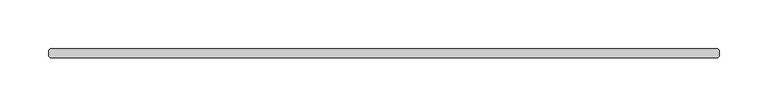
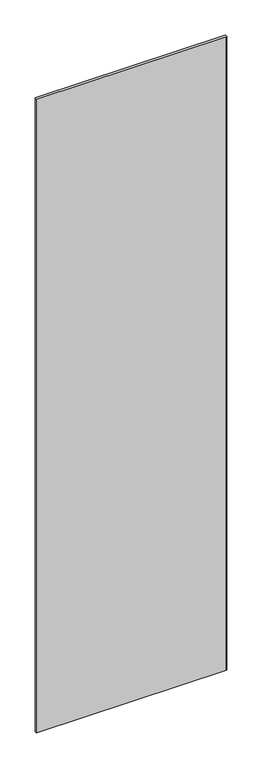
"""IFC4 building model written with IfcOpenShell, lengths in millimetres: plate geometry."""

from ifc_helpers import new_model, si_unit, origin, origin_with_axes, place, context, project, spatial, polyline, outline, extrude, source, transform, mapped, element, save


def plate_42c20b86(model_context):
    return source(origin(), model_context, "Body", "SweptSolid", [
        extrude(outline(polyline([(371.078125, -4.7625), (-315.515625, -4.7625), (-317.103125, -3.175), (-317.103125, 3.175), (-315.515625, 4.7625), (371.078125, 4.7625), (372.665625, 3.175), (372.665625, -3.175), (371.078125, -4.7625)])), origin_with_axes(), (0.0, 0.0, 1.0), 2427.1914267),
    ])


if __name__ == "__main__":
    model = new_model("IFC4")
    model_context = context("Model", 3, world=origin())
    ifc_project = project(units=[si_unit("LENGTHUNIT", "METRE", prefix="MILLI")], contexts=[model_context])
    site = spatial("IfcSite", under=ifc_project)
    building = spatial("IfcBuilding", under=site)
    placement = place(None, origin())
    plate_shape = plate_42c20b86(model_context)
    element("IfcPlate", 1, at=placement, inside=building, context=model_context, shape_type="MappedRepresentation", body=[
        mapped(plate_shape, transform((0.0, 0.0, 0.0), x_axis=(1.0, 0.0, 0.0), y_axis=(0.0, 1.0, 0.0), z_axis=(0.0, 0.0, 1.0))),
    ])
    save(model, "model.ifc")
